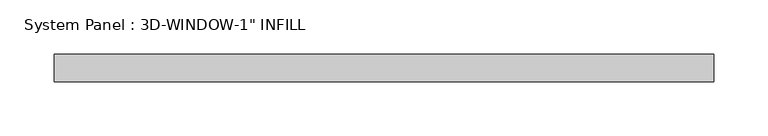
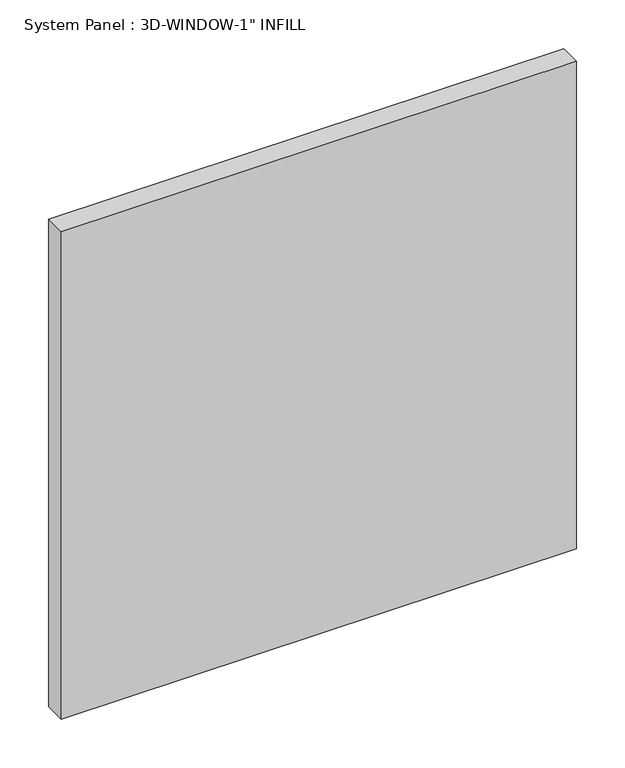
"""IFC4 building model written with IfcOpenShell, lengths in millimetres: plate geometry."""

import ifcopenshell
import ifcopenshell.guid

model = None  # the IFC model being written
_history = None  # IfcOwnerHistory: only IFC2X3 demands one
_inside = {}  # id of a spatial element -> (the spatial element, [elements in it])
_under = {}  # id of a project, library or spatial element -> (it, [spatial elements below it])
_declared = {}  # id of a project -> (the project, [libraries it declares])
_typed = {}  # id of a type object -> (the type object, [elements of that type])
_made_of = {}  # id of a material, layer set ... -> (it, [elements and type objects made of it])


def new_model(schema):
    """Start an empty IFC model of exactly this schema.

    Asked for "IFC4X3", IfcOpenShell would pick the latest addendum, in which some entities
    have other attributes; the version numbers below select the first issue.
    IFC2X3 requires an IfcOwnerHistory on every rooted entity: one is made here for all.
    """
    global model, _history
    if schema == "IFC4X3":
        model = ifcopenshell.file(schema_version=(4, 3, 0, 0))
    else:
        model = ifcopenshell.file(schema=schema)
    _inside.clear()
    _under.clear()
    _declared.clear()
    _typed.clear()
    _made_of.clear()
    _history = None
    if model.schema == "IFC2X3":
        org = make("IfcOrganization", Name="unknown")
        user = make(
            "IfcPersonAndOrganization",
            ThePerson=make("IfcPerson", FamilyName="unknown"),
            TheOrganization=org,
        )
        app = make(
            "IfcApplication",
            ApplicationDeveloper=org,
            Version="unknown",
            ApplicationFullName="unknown",
            ApplicationIdentifier="unknown",
        )
        _history = make(
            "IfcOwnerHistory",
            OwningUser=user,
            OwningApplication=app,
            ChangeAction="ADDED",
            CreationDate=0,
        )
    return model


def make(cls, **values):
    """One entity of the class cls with the attributes given. An attribute that is None is left unset."""
    return model.create_entity(
        cls, **{name: value for name, value in values.items() if value is not None}
    )


def rooted(cls, **values):
    """An entity with a GlobalId (a new one), such as an element, a storey or a relation."""
    return make(cls, GlobalId=ifcopenshell.guid.new(), OwnerHistory=_history, **values)


def si_unit(unit_type, name, prefix=None):
    """IfcSIUnit, for example si_unit("LENGTHUNIT", "METRE", prefix="MILLI")."""
    return make("IfcSIUnit", UnitType=unit_type, Prefix=prefix, Name=name)


def assignment(units):
    """IfcUnitAssignment: the units of a project."""
    return None if units is None else make("IfcUnitAssignment", Units=units)


def point(xyz):
    """IfcCartesianPoint."""
    return None if xyz is None else make("IfcCartesianPoint", Coordinates=xyz)


def direction(xyz):
    """IfcDirection."""
    return None if xyz is None else make("IfcDirection", DirectionRatios=xyz)


def frame(location, z_axis=None, x_axis=None):
    """IfcAxis2Placement3D, a coordinate frame: its origin and axes. An axis left out is left unset."""
    return make(
        "IfcAxis2Placement3D",
        Location=point(location),
        Axis=direction(z_axis),
        RefDirection=direction(x_axis),
    )


def origin():
    """The frame at (0, 0, 0) with its axes left unset."""
    return frame((0.0, 0.0, 0.0))


def origin_with_axes():
    """The frame at (0, 0, 0) with the z axis (0, 0, 1) and the x axis (1, 0, 0) written out."""
    return frame((0.0, 0.0, 0.0), z_axis=(0.0, 0.0, 1.0), x_axis=(1.0, 0.0, 0.0))


def place(relative_to, where):
    """IfcLocalPlacement: puts the frame where relative to a parent placement (None: the world)."""
    return make(
        "IfcLocalPlacement", PlacementRelTo=relative_to, RelativePlacement=where
    )


def context(
    kind, dimensions, precision=None, world=None, true_north=None, identifier=None
):
    """IfcGeometricRepresentationContext, for example the 3D "Model" context."""
    return make(
        "IfcGeometricRepresentationContext",
        ContextIdentifier=identifier,
        ContextType=kind,
        CoordinateSpaceDimension=dimensions,
        Precision=precision,
        WorldCoordinateSystem=world,
        TrueNorth=true_north,
    )


def project(units=None, contexts=None):
    """IfcProject with its units and contexts."""
    return rooted(
        "IfcProject",
        Name="project",
        RepresentationContexts=contexts,
        UnitsInContext=assignment(units),
    )


def spatial(cls, under=None, at=None, **own):
    """A site, building, storey or space (cls), placed at a placement, below another one or the project."""
    s = rooted(cls, ObjectPlacement=at, **own)
    if under is not None:
        _under.setdefault(under.id(), (under, []))[1].append(s)
    return s


def polyline(points):
    """IfcPolyline through the points."""
    return make("IfcPolyline", Points=[point(p) for p in points])


def outline(outer, holes=None, kind="AREA"):
    """IfcArbitraryClosedProfileDef: a profile drawn as a closed curve; with holes, ...WithVoids."""
    if holes is None:
        return make("IfcArbitraryClosedProfileDef", ProfileType=kind, OuterCurve=outer)
    return make(
        "IfcArbitraryProfileDefWithVoids",
        ProfileType=kind,
        OuterCurve=outer,
        InnerCurves=holes,
    )


def extrude(swept, where, along, depth):
    """IfcExtrudedAreaSolid: the profile swept, set in the frame where, extruded along a direction by depth."""
    return make(
        "IfcExtrudedAreaSolid",
        SweptArea=swept,
        Position=where,
        ExtrudedDirection=direction(along),
        Depth=depth,
    )


def shape(context_of_items, identifier, shape_type, items):
    """IfcShapeRepresentation: the items that make up one representation, for example the "Body"."""
    return make(
        "IfcShapeRepresentation",
        ContextOfItems=context_of_items,
        RepresentationIdentifier=identifier,
        RepresentationType=shape_type,
        Items=items,
    )


def source(mapping_origin, context_of_items, identifier, shape_type, items):
    """IfcRepresentationMap: a shape defined once, which mapped items show again and again."""
    return make(
        "IfcRepresentationMap",
        MappingOrigin=mapping_origin,
        MappedRepresentation=shape(context_of_items, identifier, shape_type, items),
    )


def transform(
    local_origin,
    x_axis=None,
    y_axis=None,
    z_axis=None,
    scale=None,
    scale2=None,
    scale3=None,
    uniform=True,
):
    """IfcCartesianTransformationOperator3D, or its non-uniform kind. x_axis, y_axis, z_axis: its Axis1, 2, 3."""
    if uniform:
        return make(
            "IfcCartesianTransformationOperator3D",
            Axis1=direction(x_axis),
            Axis2=direction(y_axis),
            LocalOrigin=point(local_origin),
            Scale=scale,
            Axis3=direction(z_axis),
        )
    return make(
        "IfcCartesianTransformationOperator3DnonUniform",
        Axis1=direction(x_axis),
        Axis2=direction(y_axis),
        LocalOrigin=point(local_origin),
        Scale=scale,
        Axis3=direction(z_axis),
        Scale2=scale2,
        Scale3=scale3,
    )


def mapped(mapping_source, mapping_target):
    """IfcMappedItem: shows the shape of a source again, moved by a transform."""
    return make(
        "IfcMappedItem", MappingSource=mapping_source, MappingTarget=mapping_target
    )


def made_of(thing, what):
    """Note that an element or type object is made of a material, layer set ...; save() writes the relation."""
    if what is not None:
        _made_of.setdefault(what.id(), (what, []))[1].append(thing)
    return thing


def element(
    cls,
    number,
    at=None,
    inside=None,
    cuts=None,
    type_object=None,
    material=None,
    context=None,
    identifier="Body",
    shape_type=None,
    held_by="IfcProductDefinitionShape",
    body=None,
    shapes=None,
    **own,
):
    """One element of the class cls, such as IfcWall. Its Tag is "e" and its number.

    at: its placement. inside: the storey or other place that contains it. cuts: it is an
    opening in that element (IfcRelVoidsElement). A single representation is given by context,
    identifier, shape_type and body (its items); several are given by shapes. held_by: the class
    of the entity that holds the representations. save() writes the other relations.
    """
    e = rooted(cls, Tag="e%d" % number, ObjectPlacement=at, **own)
    if body is not None:
        shapes = [shape(context, identifier, shape_type, body)]
    if shapes is not None:
        e.Representation = make(held_by, Representations=shapes)
    if inside is not None:
        _inside.setdefault(inside.id(), (inside, []))[1].append(e)
    if cuts is not None:
        rooted(
            "IfcRelVoidsElement", RelatingBuildingElement=cuts, RelatedOpeningElement=e
        )
    if type_object is not None:
        _typed.setdefault(type_object.id(), (type_object, []))[1].append(e)
    return made_of(e, material)


def aggregate(whole, parts):
    """IfcRelAggregates: a whole, such as a stair, and the parts it consists of."""
    return rooted("IfcRelAggregates", RelatingObject=whole, RelatedObjects=parts)


def save(model, path):
    """Write the relations noted so far, then the file.

    IfcRelAggregates (storeys below a building ...), IfcRelContainedInSpatialStructure (elements
    in a storey), IfcRelDefinesByType, IfcRelAssociatesMaterial and IfcRelDeclares: one each for
    every whole, place, type object, material and project.
    """
    for whole, parts in _under.values():
        aggregate(whole, parts)
    for where, things in _inside.values():
        rooted(
            "IfcRelContainedInSpatialStructure",
            RelatedElements=things,
            RelatingStructure=where,
        )
    for kind, things in _typed.values():
        rooted("IfcRelDefinesByType", RelatedObjects=things, RelatingType=kind)
    for what, things in _made_of.values():
        rooted("IfcRelAssociatesMaterial", RelatedObjects=things, RelatingMaterial=what)
    for by, libraries in _declared.values():
        rooted("IfcRelDeclares", RelatingContext=by, RelatedDefinitions=libraries)
    model.write(path)


def plate_edbe3b57(model_context):
    return source(origin(), model_context, "Body", "SweptSolid", [
        extrude(outline(polyline([(304.8, -71.6359375), (-304.8, -71.6359375), (-304.8, -46.2359375), (304.8, -46.2359375), (304.8, -71.6359375)])), origin_with_axes(), (0.0, 0.0, 1.0), 609.6),
    ])


if __name__ == "__main__":
    model = new_model("IFC4")
    model_context = context("Model", 3, world=origin())
    ifc_project = project(units=[si_unit("LENGTHUNIT", "METRE", prefix="MILLI")], contexts=[model_context])
    site = spatial("IfcSite", under=ifc_project)
    building = spatial("IfcBuilding", under=site)
    placement = place(None, origin())
    plate_shape = plate_edbe3b57(model_context)
    element("IfcPlate", 1, ObjectType="System Panel : 3D-WINDOW-1\" INFILL", at=placement, inside=building, context=model_context, shape_type="MappedRepresentation", body=[
        mapped(plate_shape, transform((0.0, 0.0, 0.0), x_axis=(1.0, 0.0, 0.0), y_axis=(0.0, 1.0, 0.0), z_axis=(0.0, 0.0, 1.0))),
    ])
    save(model, "model.ifc")
